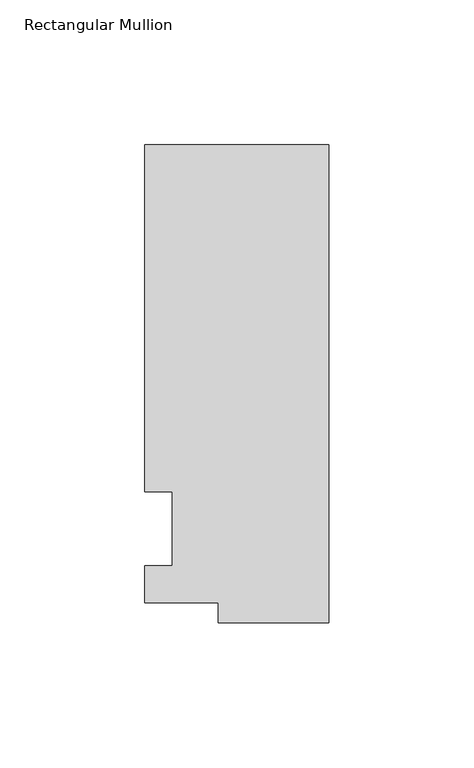
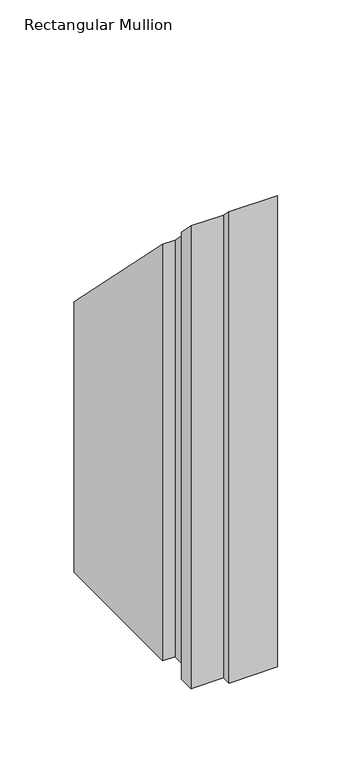
"""IFC4 building model written with IfcOpenShell, lengths in millimetres: member geometry, Rectangular Mullion."""

from ifc_helpers import new_model, si_unit, origin, place, context, project, spatial, faceted_brep, source, transform, mapped, element, save


def rectangular_mullion_f805f5fe(model_context):
    return source(origin(), model_context, "Body", "Brep", [
        faceted_brep([(-38.1, -32.54375, -355.6), (-38.1, -25.58415, -355.6), (-63.5, -25.58415, -355.6), (-63.5, -12.7, -355.6), (-53.975, -12.7, -355.6), (-53.975, 12.7, -355.6), (-63.5, 12.7, -355.6), (-63.5, 132.55625, -355.6), (0.0, 132.55625, -355.6), (0.0, -32.54375, -355.6), (0.0, -32.54375, 32.54375), (-38.1, -32.54375, 32.54375), (0.0, 132.55625, -132.55625), (-63.5, 132.55625, -132.55625), (-63.5, 12.7, -12.7), (-53.975, 12.7, -12.7), (-53.975, -12.7, 12.7), (-63.5, -12.7, 12.7), (-63.5, -25.58415, 25.58415), (-38.1, -25.58415, 25.58415)], [[[0, 1, 2, 3, 4, 5, 6, 7, 8, 9]], [[10, 11, 0, 9]], [[12, 10, 9, 8]], [[13, 12, 8, 7]], [[14, 13, 7, 6]], [[15, 14, 6, 5]], [[16, 15, 5, 4]], [[17, 16, 4, 3]], [[18, 17, 3, 2]], [[19, 18, 2, 1]], [[11, 19, 1, 0]], [[11, 10, 12, 13, 14, 15, 16, 17, 18, 19]]]),
    ])


if __name__ == "__main__":
    model = new_model("IFC4")
    model_context = context("Model", 3, world=origin())
    ifc_project = project(units=[si_unit("LENGTHUNIT", "METRE", prefix="MILLI")], contexts=[model_context])
    site = spatial("IfcSite", under=ifc_project)
    building = spatial("IfcBuilding", under=site)
    placement = place(None, origin())
    rectangular_mullion_shape = rectangular_mullion_f805f5fe(model_context)
    element("IfcMember", 1, ObjectType="Rectangular Mullion", at=placement, inside=building, context=model_context, shape_type="MappedRepresentation", body=[
        mapped(rectangular_mullion_shape, transform((0.0, 0.0, 0.0), x_axis=(1.0, 0.0, 0.0), y_axis=(0.0, 1.0, 0.0), z_axis=(0.0, 0.0, 1.0))),
    ])
    save(model, "model.ifc")
